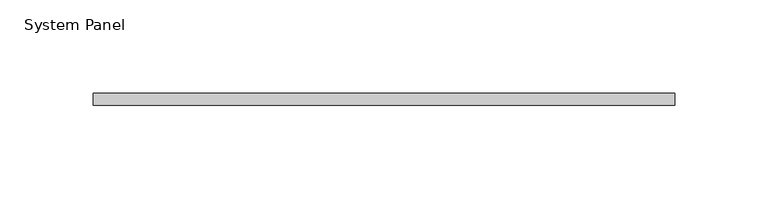
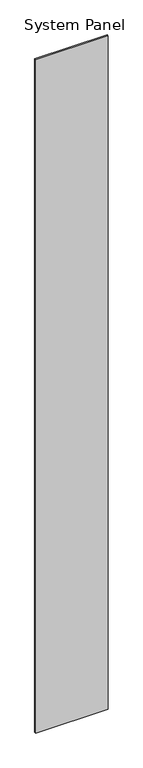
"""IFC4 building model written with IfcOpenShell, lengths in millimetres: plate geometry, System Panel."""

from ifc_helpers import new_model, si_unit, origin, origin_with_axes, place, context, project, spatial, polyline, outline, extrude, source, transform, mapped, element, save


def system_panel_fdc47a80(model_context):
    return source(origin(), model_context, "Body", "SweptSolid", [
        extrude(outline(polyline([(155.575, 0.0), (-155.575, 0.0), (-155.575, 6.35), (155.575, 6.35), (155.575, 0.0)])), origin_with_axes(), (0.0, 0.0, 1.0), 3048.0),
    ])


if __name__ == "__main__":
    model = new_model("IFC4")
    model_context = context("Model", 3, world=origin())
    ifc_project = project(units=[si_unit("LENGTHUNIT", "METRE", prefix="MILLI")], contexts=[model_context])
    site = spatial("IfcSite", under=ifc_project)
    building = spatial("IfcBuilding", under=site)
    placement = place(None, origin())
    system_panel_shape = system_panel_fdc47a80(model_context)
    element("IfcPlate", 1, ObjectType="System Panel", at=placement, inside=building, context=model_context, shape_type="MappedRepresentation", body=[
        mapped(system_panel_shape, transform((0.0, 0.0, 0.0), x_axis=(1.0, 0.0, 0.0), y_axis=(0.0, 1.0, 0.0), z_axis=(0.0, 0.0, 1.0))),
    ])
    save(model, "model.ifc")
